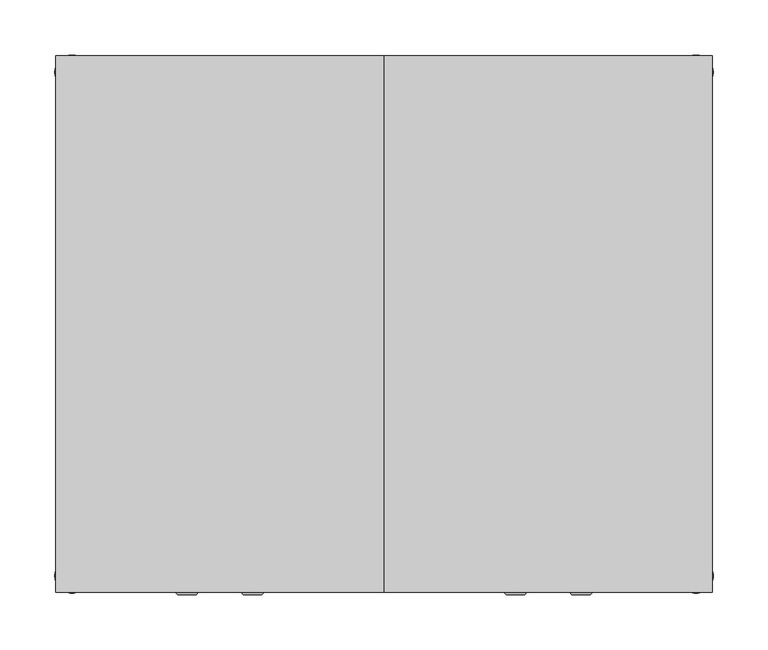
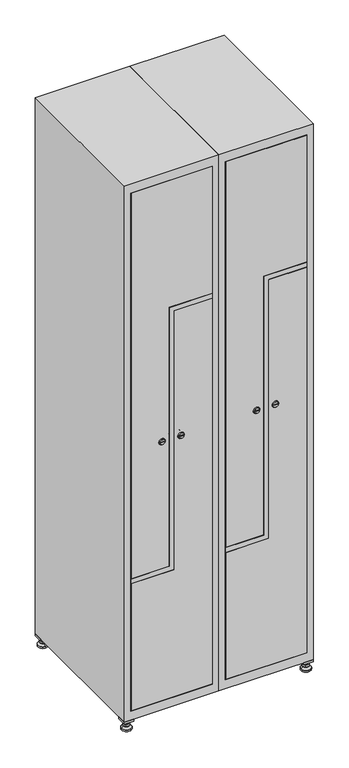
"""IFC4 building model written with IfcOpenShell, lengths in millimetres: furniture geometry."""

from ifc_helpers import new_model, si_unit, point, frame, frame_2d, origin, origin_with_axes, place, context, project, spatial, polyline, circle_curve, trimmed, segment, composite_curve, outline, extrude, faceted_brep, source, transform, mapped, element, save
from ifc_brep_helpers import plane_surface, revolved_surface, advanced_brep


def furniture_3ee8c337(model_context):
    return source(origin(), model_context, "Body", "SolidModel", [
        extrude(outline(polyline([(400.0, 245.0), (400.0, 215.0), (370.0, 215.0), (370.0, 245.0), (400.0, 245.0)]), holes=[polyline([(398.0, 243.0), (372.0, 243.0), (372.0, 217.0), (398.0, 217.0), (398.0, 243.0)])]), frame((0.0, 0.0, 28.5), z_axis=(0.0, 0.0, 1.0), x_axis=(1.0, 0.0, 0.0)), (0.0, 0.0, 1.0), 6.5),
        extrude(outline(polyline([(370.0, -245.0), (370.0, -215.0), (400.0, -215.0), (400.0, -245.0), (370.0, -245.0)]), holes=[polyline([(372.0, -243.0), (398.0, -243.0), (398.0, -217.0), (372.0, -217.0), (372.0, -243.0)])]), frame((0.0, 0.0, 28.5), z_axis=(0.0, 0.0, 1.0), x_axis=(1.0, 0.0, 0.0)), (0.0, 0.0, 1.0), 6.5),
        extrude(outline(polyline([(-170.0, 245.0), (-170.0, 215.0), (-200.0, 215.0), (-200.0, 245.0), (-170.0, 245.0)]), holes=[polyline([(-172.0, 243.0), (-198.0, 243.0), (-198.0, 217.0), (-172.0, 217.0), (-172.0, 243.0)])]), frame((0.0, 0.0, 28.5), z_axis=(0.0, 0.0, 1.0), x_axis=(1.0, 0.0, 0.0)), (0.0, 0.0, 1.0), 6.5),
        extrude(outline(polyline([(-170.0, -215.0), (-170.0, -245.0), (-200.0, -245.0), (-200.0, -215.0), (-170.0, -215.0)]), holes=[polyline([(-198.0, -243.0), (-172.0, -243.0), (-172.0, -217.0), (-198.0, -217.0), (-198.0, -243.0)])]), frame((0.0, 0.0, 28.5), z_axis=(0.0, 0.0, 1.0), x_axis=(1.0, 0.0, 0.0)), (0.0, 0.0, 1.0), 6.5),
        extrude(outline(composite_curve([segment(trimmed(circle_curve(frame_2d((-185.0, 230.0)), 5.0), [point((-180.0, 230.0))], [point((-190.0, 230.0))], False, "CARTESIAN"), True, "CONTINUOUS"), segment(trimmed(circle_curve(frame_2d((-185.0, 230.0)), 5.0), [point((-190.0, 230.0))], [point((-180.0, 230.0))], False, "CARTESIAN"), True, "CONTINUOUS")], self_intersect=False)), frame((0.0, 0.0, 19.6), z_axis=(0.0, 0.0, 1.0), x_axis=(1.0, 0.0, 0.0)), (0.0, 0.0, 1.0), 15.4),
        extrude(outline(composite_curve([segment(trimmed(circle_curve(frame_2d((-185.0, -230.0)), 5.0), [point((-180.0, -230.0))], [point((-190.0, -230.0))], False, "CARTESIAN"), True, "CONTINUOUS"), segment(trimmed(circle_curve(frame_2d((-185.0, -230.0)), 5.0), [point((-190.0, -230.0))], [point((-180.0, -230.0))], False, "CARTESIAN"), True, "CONTINUOUS")], self_intersect=False)), frame((0.0, 0.0, 19.6), z_axis=(0.0, 0.0, 1.0), x_axis=(1.0, 0.0, 0.0)), (0.0, 0.0, 1.0), 15.4),
        extrude(outline(composite_curve([segment(trimmed(circle_curve(frame_2d((385.0, 230.0)), 5.0), [point((390.0, 230.0))], [point((380.0, 230.0))], False, "CARTESIAN"), True, "CONTINUOUS"), segment(trimmed(circle_curve(frame_2d((385.0, 230.0)), 5.0), [point((380.0, 230.0))], [point((390.0, 230.0))], False, "CARTESIAN"), True, "CONTINUOUS")], self_intersect=False)), frame((0.0, 0.0, 19.6), z_axis=(0.0, 0.0, 1.0), x_axis=(1.0, 0.0, 0.0)), (0.0, 0.0, 1.0), 15.4),
        extrude(outline(polyline([(373.4529946, 230.0), (379.2264973, 240.0), (390.7735027, 240.0), (396.5470054, 230.0), (390.7735027, 220.0), (379.2264973, 220.0), (373.4529946, 230.0)])), frame((0.0, 0.0, 13.6), z_axis=(0.0, 0.0, 1.0), x_axis=(1.0, 0.0, 0.0)), (0.0, 0.0, 1.0), 6.0),
        extrude(outline(composite_curve([segment(trimmed(circle_curve(frame_2d((385.0, -230.0)), 5.0), [point((390.0, -230.0))], [point((380.0, -230.0))], False, "CARTESIAN"), True, "CONTINUOUS"), segment(trimmed(circle_curve(frame_2d((385.0, -230.0)), 5.0), [point((380.0, -230.0))], [point((390.0, -230.0))], False, "CARTESIAN"), True, "CONTINUOUS")], self_intersect=False)), frame((0.0, 0.0, 19.6), z_axis=(0.0, 0.0, 1.0), x_axis=(1.0, 0.0, 0.0)), (0.0, 0.0, 1.0), 15.4),
        extrude(outline(polyline([(373.4529946, -230.0), (379.2264973, -220.0), (390.7735027, -220.0), (396.5470054, -230.0), (390.7735027, -240.0), (379.2264973, -240.0), (373.4529946, -230.0)])), frame((0.0, 0.0, 13.6), z_axis=(0.0, 0.0, 1.0), x_axis=(1.0, 0.0, 0.0)), (0.0, 0.0, 1.0), 6.0),
        extrude(outline(composite_curve([segment(trimmed(circle_curve(frame_2d((385.0, 230.0)), 5.0), [point((390.0, 230.0))], [point((380.0, 230.0))], False, "CARTESIAN"), True, "CONTINUOUS"), segment(trimmed(circle_curve(frame_2d((385.0, 230.0)), 5.0), [point((380.0, 230.0))], [point((390.0, 230.0))], False, "CARTESIAN"), True, "CONTINUOUS")], self_intersect=False)), frame((0.0, 0.0, 12.1), z_axis=(0.0, 0.0, 1.0), x_axis=(1.0, 0.0, 0.0)), (0.0, 0.0, 1.0), 1.5),
        extrude(outline(composite_curve([segment(trimmed(circle_curve(frame_2d((385.0, -230.0)), 5.0), [point((390.0, -230.0))], [point((380.0, -230.0))], False, "CARTESIAN"), True, "CONTINUOUS"), segment(trimmed(circle_curve(frame_2d((385.0, -230.0)), 5.0), [point((380.0, -230.0))], [point((390.0, -230.0))], False, "CARTESIAN"), True, "CONTINUOUS")], self_intersect=False)), frame((0.0, 0.0, 12.1), z_axis=(0.0, 0.0, 1.0), x_axis=(1.0, 0.0, 0.0)), (0.0, 0.0, 1.0), 1.5),
        extrude(outline(polyline([(-196.5470054, 230.0), (-190.7735027, 240.0), (-179.2264973, 240.0), (-173.4529946, 230.0), (-179.2264973, 220.0), (-190.7735027, 220.0), (-196.5470054, 230.0)])), frame((0.0, 0.0, 13.6), z_axis=(0.0, 0.0, 1.0), x_axis=(1.0, 0.0, 0.0)), (0.0, 0.0, 1.0), 6.0),
        extrude(outline(polyline([(-196.5470054, -230.0), (-190.7735027, -220.0), (-179.2264973, -220.0), (-173.4529946, -230.0), (-179.2264973, -240.0), (-190.7735027, -240.0), (-196.5470054, -230.0)])), frame((0.0, 0.0, 13.6), z_axis=(0.0, 0.0, 1.0), x_axis=(1.0, 0.0, 0.0)), (0.0, 0.0, 1.0), 6.0),
        extrude(outline(composite_curve([segment(trimmed(circle_curve(frame_2d((-185.0, 230.0)), 5.0), [point((-185.0, 235.0))], [point((-185.0, 225.0))], False, "CARTESIAN"), True, "CONTINUOUS"), segment(trimmed(circle_curve(frame_2d((-185.0, 230.0)), 5.0), [point((-185.0, 225.0))], [point((-185.0, 235.0))], False, "CARTESIAN"), True, "CONTINUOUS")], self_intersect=False)), frame((0.0, 0.0, 12.1), z_axis=(0.0, 0.0, 1.0), x_axis=(1.0, 0.0, 0.0)), (0.0, 0.0, 1.0), 1.5),
        extrude(outline(composite_curve([segment(trimmed(circle_curve(frame_2d((-185.0, -230.0)), 5.0), [point((-180.0, -230.0))], [point((-190.0, -230.0))], False, "CARTESIAN"), True, "CONTINUOUS"), segment(trimmed(circle_curve(frame_2d((-185.0, -230.0)), 5.0), [point((-190.0, -230.0))], [point((-180.0, -230.0))], False, "CARTESIAN"), True, "CONTINUOUS")], self_intersect=False)), frame((0.0, 0.0, 12.1), z_axis=(0.0, 0.0, 1.0), x_axis=(1.0, 0.0, 0.0)), (0.0, 0.0, 1.0), 1.5),
        extrude(outline(composite_curve([segment(trimmed(circle_curve(frame_2d((385.0, 230.0)), 15.75), [point((400.75, 230.0))], [point((369.25, 230.0))], False, "CARTESIAN"), True, "CONTINUOUS"), segment(trimmed(circle_curve(frame_2d((385.0, 230.0)), 15.75), [point((369.25, 230.0))], [point((400.75, 230.0))], False, "CARTESIAN"), True, "CONTINUOUS")], self_intersect=False)), origin_with_axes(), (0.0, 0.0, 1.0), 5.1),
        extrude(outline(composite_curve([segment(trimmed(circle_curve(frame_2d((385.0, -230.0)), 15.75), [point((385.0, -214.25))], [point((385.0, -245.75))], False, "CARTESIAN"), True, "CONTINUOUS"), segment(trimmed(circle_curve(frame_2d((385.0, -230.0)), 15.75), [point((385.0, -245.75))], [point((385.0, -214.25))], False, "CARTESIAN"), True, "CONTINUOUS")], self_intersect=False)), origin_with_axes(), (0.0, 0.0, 1.0), 5.1),
        extrude(outline(composite_curve([segment(trimmed(circle_curve(frame_2d((-185.0, -230.0)), 15.75), [point((-169.25, -230.0))], [point((-200.75, -230.0))], False, "CARTESIAN"), True, "CONTINUOUS"), segment(trimmed(circle_curve(frame_2d((-185.0, -230.0)), 15.75), [point((-200.75, -230.0))], [point((-169.25, -230.0))], False, "CARTESIAN"), True, "CONTINUOUS")], self_intersect=False)), origin_with_axes(), (0.0, 0.0, 1.0), 5.1),
        extrude(outline(composite_curve([segment(trimmed(circle_curve(frame_2d((-185.0, 230.0)), 15.75), [point((-169.25, 230.0))], [point((-200.75, 230.0))], False, "CARTESIAN"), True, "CONTINUOUS"), segment(trimmed(circle_curve(frame_2d((-185.0, 230.0)), 15.75), [point((-200.75, 230.0))], [point((-169.25, 230.0))], False, "CARTESIAN"), True, "CONTINUOUS")], self_intersect=False)), origin_with_axes(), (0.0, 0.0, 1.0), 5.1),
        advanced_brep(
        [(-185.0, 245.75, 5.1), (-185.0, 214.25, 5.1), (-185.0, 239.5, 12.1), (-185.0, 220.5, 12.1)],
        [
            (0, 1, circle_curve(frame((-185.0, 230.0, 5.1), z_axis=(0.0, 0.0, -1.0), x_axis=(0.0, 1.0, 0.0)), 15.75)),
            (1, 0, circle_curve(frame((-185.0, 230.0, 5.1), z_axis=(0.0, 0.0, -1.0), x_axis=(0.0, -1.0, 0.0)), 15.75)),
            (2, 3, circle_curve(frame((-185.0, 230.0, 12.1), z_axis=(0.0, 0.0, 1.0), x_axis=(0.0, -1.0, 0.0)), 9.5)),
            (3, 2, circle_curve(frame((-185.0, 230.0, 12.1), z_axis=(0.0, 0.0, 1.0), x_axis=(0.0, 1.0, 0.0)), 9.5)),
            (3, 1),
            (0, 2),
        ],
        [
            plane_surface(frame((-185.0, 230.0, 5.1), z_axis=(0.0, 0.0, -1.0), x_axis=(1.0, 0.0, 0.0))),
            plane_surface(frame((-185.0, 230.0, 12.1), z_axis=(0.0, 0.0, 1.0), x_axis=(1.0, 0.0, 0.0))),
            revolved_surface(polyline([(-185.0, 220.5, 12.099999999999998), (-185.0, 214.25, 5.099999999999998)]), (-185.0, 230.0, 22.74), (0.0, 0.0, -1.0)),
            revolved_surface(polyline([(-185.0, 239.5, 12.099999999999998), (-185.0, 245.75, 5.099999999999998)]), (-185.0, 230.0, 22.74), (0.0, 0.0, -1.0)),
        ],
        [
            (0, [[1, 2]]),
            (1, [[3, 4]]),
            (2, [[-4, 5, -1, 6]]),
            (3, [[-3, -6, -2, -5]]),
        ],
    ),
        advanced_brep(
        [(385.0, 245.75, 5.1), (385.0, 214.25, 5.1), (385.0, 239.5, 12.1), (385.0, 220.5, 12.1)],
        [
            (0, 1, circle_curve(frame((385.0, 230.0, 5.1), z_axis=(0.0, 0.0, -1.0), x_axis=(0.0, 1.0, 0.0)), 15.75)),
            (1, 0, circle_curve(frame((385.0, 230.0, 5.1), z_axis=(0.0, 0.0, -1.0), x_axis=(0.0, -1.0, 0.0)), 15.75)),
            (2, 3, circle_curve(frame((385.0, 230.0, 12.1), z_axis=(0.0, 0.0, 1.0), x_axis=(0.0, -1.0, 0.0)), 9.5)),
            (3, 2, circle_curve(frame((385.0, 230.0, 12.1), z_axis=(0.0, 0.0, 1.0), x_axis=(0.0, 1.0, 0.0)), 9.5)),
            (3, 1),
            (0, 2),
        ],
        [
            plane_surface(frame((385.0, 230.0, 5.1), z_axis=(0.0, 0.0, -1.0), x_axis=(1.0, 0.0, 0.0))),
            plane_surface(frame((385.0, 230.0, 12.1), z_axis=(0.0, 0.0, 1.0), x_axis=(1.0, 0.0, 0.0))),
            revolved_surface(polyline([(385.0, 220.5, 12.099999999999998), (385.0, 214.25, 5.099999999999998)]), (385.0, 230.0, 22.74), (0.0, 0.0, -1.0)),
            revolved_surface(polyline([(385.0, 239.5, 12.099999999999998), (385.0, 245.75, 5.099999999999998)]), (385.0, 230.0, 22.74), (0.0, 0.0, -1.0)),
        ],
        [
            (0, [[1, 2]]),
            (1, [[3, 4]]),
            (2, [[-4, 5, -1, 6]]),
            (3, [[-3, -6, -2, -5]]),
        ],
    ),
        advanced_brep(
        [(394.5, -230.0, 12.1), (375.5, -230.0, 12.1), (400.75, -230.0, 5.1), (369.25, -230.0, 5.1)],
        [
            (0, 1, circle_curve(frame((385.0, -230.0, 12.1), z_axis=(0.0, 0.0, 1.0), x_axis=(1.0, 0.0, 0.0)), 9.5)),
            (1, 0, circle_curve(frame((385.0, -230.0, 12.1), z_axis=(0.0, 0.0, 1.0), x_axis=(-1.0, 0.0, 0.0)), 9.5)),
            (2, 3, circle_curve(frame((385.0, -230.0, 5.1), z_axis=(0.0, 0.0, -1.0), x_axis=(-1.0, 0.0, 0.0)), 15.75)),
            (3, 2, circle_curve(frame((385.0, -230.0, 5.1), z_axis=(0.0, 0.0, -1.0), x_axis=(1.0, 0.0, 0.0)), 15.75)),
            (3, 1),
            (0, 2),
        ],
        [
            plane_surface(frame((385.0, -230.0, 12.1), z_axis=(0.0, 0.0, 1.0), x_axis=(0.0, 1.0, 0.0))),
            plane_surface(frame((385.0, -230.0, 5.1), z_axis=(0.0, 0.0, -1.0), x_axis=(0.0, 1.0, 0.0))),
            revolved_surface(polyline([(394.5, -230.0, 12.099999999999998), (400.75, -230.0, 5.099999999999998)]), (385.0, -230.0, 22.74), (0.0, 0.0, -1.0)),
            revolved_surface(polyline([(375.5, -230.0, 12.099999999999998), (369.25, -230.0, 5.099999999999998)]), (385.0, -230.0, 22.74), (0.0, 0.0, -1.0)),
        ],
        [
            (0, [[1, 2]]),
            (1, [[3, 4]]),
            (2, [[-4, 5, -1, 6]]),
            (3, [[-3, -6, -2, -5]]),
        ],
    ),
        advanced_brep(
        [(-175.5, -230.0, 12.1), (-194.5, -230.0, 12.1), (-169.25, -230.0, 5.1), (-200.75, -230.0, 5.1)],
        [
            (0, 1, circle_curve(frame((-185.0, -230.0, 12.1), z_axis=(0.0, 0.0, 1.0), x_axis=(1.0, 0.0, 0.0)), 9.5)),
            (1, 0, circle_curve(frame((-185.0, -230.0, 12.1), z_axis=(0.0, 0.0, 1.0), x_axis=(-1.0, 0.0, 0.0)), 9.5)),
            (2, 3, circle_curve(frame((-185.0, -230.0, 5.1), z_axis=(0.0, 0.0, -1.0), x_axis=(-1.0, 0.0, 0.0)), 15.75)),
            (3, 2, circle_curve(frame((-185.0, -230.0, 5.1), z_axis=(0.0, 0.0, -1.0), x_axis=(1.0, 0.0, 0.0)), 15.75)),
            (3, 1),
            (0, 2),
        ],
        [
            plane_surface(frame((-185.0, -230.0, 12.1), z_axis=(0.0, 0.0, 1.0), x_axis=(0.0, 1.0, 0.0))),
            plane_surface(frame((-185.0, -230.0, 5.1), z_axis=(0.0, 0.0, -1.0), x_axis=(0.0, 1.0, 0.0))),
            revolved_surface(polyline([(-175.5, -230.0, 12.099999999999998), (-169.25, -230.0, 5.099999999999998)]), (-185.0, -230.0, 22.74), (0.0, 0.0, -1.0)),
            revolved_surface(polyline([(-194.5, -230.0, 12.099999999999998), (-200.75, -230.0, 5.099999999999998)]), (-185.0, -230.0, 22.74), (0.0, 0.0, -1.0)),
        ],
        [
            (0, [[1, 2]]),
            (1, [[3, 4]]),
            (2, [[-4, 5, -1, 6]]),
            (3, [[-3, -6, -2, -5]]),
        ],
    ),
        extrude(outline(composite_curve([segment(trimmed(circle_curve(frame_2d((935.0, 246.7989466)), 7.0), [point((928.0, 246.7989466))], [point((942.0, 246.7989466))], False, "CARTESIAN"), True, "CONTINUOUS"), segment(polyline([(942.0, 246.7989466), (942.0, 218.7989466)]), True, "CONTINUOUS"), segment(trimmed(circle_curve(frame_2d((935.0, 218.7989466)), 7.0), [point((942.0, 218.7989466))], [point((928.0, 218.7989466))], False, "CARTESIAN"), True, "CONTINUOUS"), segment(polyline([(928.0, 218.7989466), (928.0, 246.7989466)]), True, "CONTINUOUS")], self_intersect=False)), frame((0.0, -227.0, 0.0), z_axis=(0.0, 1.0, 0.0), x_axis=(0.0, 0.0, 1.0)), (0.0, 0.0, 1.0), 2.0),
        advanced_brep(
        [(211.5, -247.2, 935.0), (228.5, -247.2, 935.0), (225.0, -247.2, 936.25), (225.0, -247.2, 933.75), (215.0, -247.2, 933.75), (215.0, -247.2, 936.25), (209.5, -245.0, 935.0), (230.5, -245.0, 935.0), (225.0, -245.0, 933.75), (225.0, -245.0, 936.25), (215.0, -245.0, 936.25), (215.0, -245.0, 933.75)],
        [
            (0, 1, circle_curve(frame((220.0, -247.2, 935.0), z_axis=(0.0, -1.0, 0.0), x_axis=(-1.0, 0.0, 0.0)), 8.5)),
            (1, 0, circle_curve(frame((220.0, -247.2, 935.0), z_axis=(0.0, -1.0, 0.0), x_axis=(1.0, 0.0, 0.0)), 8.5)),
            (2, 3),
            (3, 4),
            (4, 5),
            (5, 2),
            (6, 7, circle_curve(frame((220.0, -245.0, 935.0), z_axis=(0.0, 1.0, 0.0), x_axis=(1.0, 0.0, 0.0)), 10.5)),
            (7, 6, circle_curve(frame((220.0, -245.0, 935.0), z_axis=(0.0, 1.0, 0.0), x_axis=(-1.0, 0.0, 0.0)), 10.5)),
            (8, 9),
            (9, 10),
            (10, 11),
            (11, 8),
            (0, 6),
            (7, 1),
            (8, 3),
            (2, 9),
            (11, 4),
            (10, 5),
        ],
        [
            plane_surface(frame((220.0, -247.2, 935.0), z_axis=(0.0, -1.0, 0.0), x_axis=(0.0, 0.0, -1.0))),
            plane_surface(frame((220.0, -245.0, 935.0), z_axis=(0.0, 1.0, 0.0), x_axis=(0.0, 0.0, -1.0))),
            revolved_surface(polyline([(211.5, -247.2, 935.0), (209.5, -245.0, 935.0)]), (220.0, -256.55, 935.0), (0.0, 1.0, 0.0)),
            revolved_surface(polyline([(228.5, -247.2, 935.0), (230.5, -245.0, 935.0)]), (220.0, -256.55, 935.0), (0.0, 1.0, 0.0)),
            plane_surface(frame((225.0, -245.0, 936.25), z_axis=(-1.0, 0.0, 0.0), x_axis=(0.0, -1.0, 0.0))),
            plane_surface(frame((225.0, -245.0, 933.75), z_axis=(0.0, 0.0, 1.0), x_axis=(0.0, -1.0, 0.0))),
            plane_surface(frame((215.0, -245.0, 933.75), z_axis=(1.0, 0.0, 0.0), x_axis=(0.0, -1.0, 0.0))),
            plane_surface(frame((215.0, -245.0, 936.25), z_axis=(0.0, 0.0, -1.0), x_axis=(0.0, -1.0, 0.0))),
        ],
        [
            (0, [[1, 2], [3, 4, 5, 6]]),
            (1, [[7, 8], [9, 10, 11, 12]]),
            (2, [[-1, 13, -8, 14]]),
            (3, [[-2, -14, -7, -13]]),
            (4, [[15, -3, 16, -9]]),
            (5, [[-15, -12, 17, -4]]),
            (6, [[-17, -11, 18, -5]]),
            (7, [[-16, -6, -18, -10]]),
        ],
    ),
        extrude(outline(polyline([(1803.8, 121.4), (509.6, 121.4), (509.6, 241.0), (1378.4, 241.0), (1378.4, 378.6), (1803.8, 378.6), (1803.8, 121.4)])), frame((0.0, -245.0, 0.0), z_axis=(0.0, 1.0, 0.0), x_axis=(0.0, 0.0, 1.0)), (0.0, 0.0, 1.0), 18.0),
        extrude(outline(composite_curve([segment(trimmed(circle_curve(frame_2d((935.0, 253.2010534)), 7.0), [point((942.0, 253.2010534))], [point((928.0, 253.2010534))], False, "CARTESIAN"), True, "CONTINUOUS"), segment(polyline([(928.0, 253.2010534), (928.0, 281.2010534)]), True, "CONTINUOUS"), segment(trimmed(circle_curve(frame_2d((935.0, 281.2010534)), 7.0), [point((928.0, 281.2010534))], [point((942.0, 281.2010534))], False, "CARTESIAN"), True, "CONTINUOUS"), segment(polyline([(942.0, 281.2010534), (942.0, 253.2010534)]), True, "CONTINUOUS")], self_intersect=False)), frame((0.0, -227.0, 0.0), z_axis=(0.0, 1.0, 0.0), x_axis=(0.0, 0.0, 1.0)), (0.0, 0.0, 1.0), 2.0),
        advanced_brep(
        [(288.5, -247.2, 935.0), (271.5, -247.2, 935.0), (275.0, -247.2, 933.75), (275.0, -247.2, 936.25), (285.0, -247.2, 936.25), (285.0, -247.2, 933.75), (290.5, -245.0, 935.0), (269.5, -245.0, 935.0), (275.0, -245.0, 936.25), (275.0, -245.0, 933.75), (285.0, -245.0, 933.75), (285.0, -245.0, 936.25)],
        [
            (0, 1, circle_curve(frame((280.0, -247.2, 935.0), z_axis=(0.0, -1.0, 0.0), x_axis=(1.0, 0.0, 0.0)), 8.5)),
            (1, 0, circle_curve(frame((280.0, -247.2, 935.0), z_axis=(0.0, -1.0, 0.0), x_axis=(-1.0, 0.0, 0.0)), 8.5)),
            (2, 3),
            (3, 4),
            (4, 5),
            (5, 2),
            (6, 7, circle_curve(frame((280.0, -245.0, 935.0), z_axis=(0.0, 1.0, 0.0), x_axis=(-1.0, 0.0, 0.0)), 10.5)),
            (7, 6, circle_curve(frame((280.0, -245.0, 935.0), z_axis=(0.0, 1.0, 0.0), x_axis=(1.0, 0.0, 0.0)), 10.5)),
            (8, 9),
            (9, 10),
            (10, 11),
            (11, 8),
            (0, 6),
            (7, 1),
            (8, 3),
            (2, 9),
            (11, 4),
            (10, 5),
        ],
        [
            plane_surface(frame((280.0, -247.2, 935.0), z_axis=(0.0, -1.0, 0.0), x_axis=(0.0, 0.0, 1.0))),
            plane_surface(frame((280.0, -245.0, 935.0), z_axis=(0.0, 1.0, 0.0), x_axis=(0.0, 0.0, 1.0))),
            revolved_surface(polyline([(288.5, -247.2, 935.0), (290.5, -245.0, 935.0)]), (280.0, -256.55, 935.0), (0.0, 1.0, 0.0)),
            revolved_surface(polyline([(271.5, -247.2, 935.0), (269.5, -245.0, 935.0)]), (280.0, -256.55, 935.0), (0.0, 1.0, 0.0)),
            plane_surface(frame((275.0, -245.0, 933.75), z_axis=(1.0, 0.0, 0.0), x_axis=(0.0, -1.0, 0.0))),
            plane_surface(frame((275.0, -245.0, 936.25), z_axis=(0.0, 0.0, -1.0), x_axis=(0.0, -1.0, 0.0))),
            plane_surface(frame((285.0, -245.0, 936.25), z_axis=(-1.0, 0.0, 0.0), x_axis=(0.0, -1.0, 0.0))),
            plane_surface(frame((285.0, -245.0, 933.75), z_axis=(0.0, 0.0, 1.0), x_axis=(0.0, -1.0, 0.0))),
        ],
        [
            (0, [[1, 2], [3, 4, 5, 6]]),
            (1, [[7, 8], [9, 10, 11, 12]]),
            (2, [[-1, 13, -8, 14]]),
            (3, [[-2, -14, -7, -13]]),
            (4, [[15, -3, 16, -9]]),
            (5, [[-15, -12, 17, -4]]),
            (6, [[-17, -11, 18, -5]]),
            (7, [[-16, -6, -18, -10]]),
        ],
    ),
        extrude(outline(polyline([(66.2, 378.6), (1360.4, 378.6), (1360.4, 259.0), (491.6, 259.0), (491.6, 121.4), (66.2, 121.4), (66.2, 378.6)])), frame((0.0, -245.0, 0.0), z_axis=(0.0, 1.0, 0.0), x_axis=(0.0, 0.0, 1.0)), (0.0, 0.0, 1.0), 18.0),
        extrude(outline(polyline([(1361.4, 379.6), (1377.4, 379.6), (1377.4, 242.0), (508.6, 242.0), (508.6, 120.4), (492.6, 120.4), (492.6, 258.0), (1361.4, 258.0), (1361.4, 379.6)])), frame((0.0, -245.0, 0.0), z_axis=(0.0, 1.0, 0.0), x_axis=(0.0, 0.0, 1.0)), (0.0, 0.0, 1.0), 487.0),
        faceted_brep([(400.0, -245.0, 35.0), (400.0, -245.0, 1835.0), (100.0, -245.0, 1835.0), (100.0, -245.0, 35.0), (379.6, -245.0, 1804.8), (379.6, -245.0, 65.2), (120.4, -245.0, 65.2), (120.4, -245.0, 1804.8), (400.0, 245.0, 35.0), (100.0, 245.0, 35.0), (400.0, 245.0, 1835.0), (100.0, 245.0, 1835.0), (379.6, 242.0, 1804.8), (379.6, 242.0, 65.2), (100.0, 245.0, 1804.8), (120.4, 242.0, 1804.8), (120.4, 242.0, 65.2)], [[[0, 1, 2, 3], [4, 5, 6, 7]], [[8, 0, 3, 9]], [[1, 0, 8, 10]], [[1, 10, 11, 2]], [[4, 12, 13, 5]], [[9, 3, 2, 11, 14]], [[10, 8, 9, 14, 11]], [[12, 15, 16, 13]], [[15, 7, 6, 16]], [[4, 7, 15, 12]], [[6, 5, 13, 16]]]),
        extrude(outline(composite_curve([segment(trimmed(circle_curve(frame_2d((935.0, -53.2010534)), 7.0), [point((928.0, -53.2010534))], [point((942.0, -53.2010534))], False, "CARTESIAN"), True, "CONTINUOUS"), segment(polyline([(942.0, -53.2010534), (942.0, -81.2010534)]), True, "CONTINUOUS"), segment(trimmed(circle_curve(frame_2d((935.0, -81.2010534)), 7.0), [point((942.0, -81.2010534))], [point((928.0, -81.2010534))], False, "CARTESIAN"), True, "CONTINUOUS"), segment(polyline([(928.0, -81.2010534), (928.0, -53.2010534)]), True, "CONTINUOUS")], self_intersect=False)), frame((0.0, -227.0, 0.0), z_axis=(0.0, 1.0, 0.0), x_axis=(0.0, 0.0, 1.0)), (0.0, 0.0, 1.0), 2.0),
        advanced_brep(
        [(-88.5, -247.2, 935.0), (-71.5, -247.2, 935.0), (-75.0, -247.2, 936.25), (-75.0, -247.2, 933.75), (-85.0, -247.2, 933.75), (-85.0, -247.2, 936.25), (-90.5, -245.0, 935.0), (-69.5, -245.0, 935.0), (-75.0, -245.0, 933.75), (-75.0, -245.0, 936.25), (-85.0, -245.0, 936.25), (-85.0, -245.0, 933.75)],
        [
            (0, 1, circle_curve(frame((-80.0, -247.2, 935.0), z_axis=(0.0, -1.0, 0.0), x_axis=(-1.0, 0.0, 0.0)), 8.5)),
            (1, 0, circle_curve(frame((-80.0, -247.2, 935.0), z_axis=(0.0, -1.0, 0.0), x_axis=(1.0, 0.0, 0.0)), 8.5)),
            (2, 3),
            (3, 4),
            (4, 5),
            (5, 2),
            (6, 7, circle_curve(frame((-80.0, -245.0, 935.0), z_axis=(0.0, 1.0, 0.0), x_axis=(1.0, 0.0, 0.0)), 10.5)),
            (7, 6, circle_curve(frame((-80.0, -245.0, 935.0), z_axis=(0.0, 1.0, 0.0), x_axis=(-1.0, 0.0, 0.0)), 10.5)),
            (8, 9),
            (9, 10),
            (10, 11),
            (11, 8),
            (0, 6),
            (7, 1),
            (8, 3),
            (2, 9),
            (11, 4),
            (10, 5),
        ],
        [
            plane_surface(frame((-80.0, -247.2, 935.0), z_axis=(0.0, -1.0, 0.0), x_axis=(0.0, 0.0, -1.0))),
            plane_surface(frame((-80.0, -245.0, 935.0), z_axis=(0.0, 1.0, 0.0), x_axis=(0.0, 0.0, -1.0))),
            revolved_surface(polyline([(-88.50000000000001, -247.2, 935.0), (-90.5, -245.0, 935.0)]), (-80.0, -256.55, 935.0), (0.0, 1.0, 0.0)),
            revolved_surface(polyline([(-71.49999999999999, -247.2, 935.0), (-69.5, -245.0, 935.0)]), (-80.0, -256.55, 935.0), (0.0, 1.0, 0.0)),
            plane_surface(frame((-75.0, -245.0, 936.25), z_axis=(-1.0, 0.0, 0.0), x_axis=(0.0, -1.0, 0.0))),
            plane_surface(frame((-75.0, -245.0, 933.75), z_axis=(0.0, 0.0, 1.0), x_axis=(0.0, -1.0, 0.0))),
            plane_surface(frame((-85.0, -245.0, 933.75), z_axis=(1.0, 0.0, 0.0), x_axis=(0.0, -1.0, 0.0))),
            plane_surface(frame((-85.0, -245.0, 936.25), z_axis=(0.0, 0.0, -1.0), x_axis=(0.0, -1.0, 0.0))),
        ],
        [
            (0, [[1, 2], [3, 4, 5, 6]]),
            (1, [[7, 8], [9, 10, 11, 12]]),
            (2, [[-1, 13, -8, 14]]),
            (3, [[-2, -14, -7, -13]]),
            (4, [[15, -3, 16, -9]]),
            (5, [[-15, -12, 17, -4]]),
            (6, [[-17, -11, 18, -5]]),
            (7, [[-16, -6, -18, -10]]),
        ],
    ),
        extrude(outline(polyline([(1803.8, -178.6), (509.6, -178.6), (509.6, -59.0), (1378.4, -59.0), (1378.4, 78.6), (1803.8, 78.6), (1803.8, -178.6)])), frame((0.0, -245.0, 0.0), z_axis=(0.0, 1.0, 0.0), x_axis=(0.0, 0.0, 1.0)), (0.0, 0.0, 1.0), 18.0),
        extrude(outline(composite_curve([segment(trimmed(circle_curve(frame_2d((935.0, -46.7989466)), 7.0), [point((942.0, -46.7989466))], [point((928.0, -46.7989466))], False, "CARTESIAN"), True, "CONTINUOUS"), segment(polyline([(928.0, -46.7989466), (928.0, -18.7989466)]), True, "CONTINUOUS"), segment(trimmed(circle_curve(frame_2d((935.0, -18.7989466)), 7.0), [point((928.0, -18.7989466))], [point((942.0, -18.7989466))], False, "CARTESIAN"), True, "CONTINUOUS"), segment(polyline([(942.0, -18.7989466), (942.0, -46.7989466)]), True, "CONTINUOUS")], self_intersect=False)), frame((0.0, -227.0, 0.0), z_axis=(0.0, 1.0, 0.0), x_axis=(0.0, 0.0, 1.0)), (0.0, 0.0, 1.0), 2.0),
        advanced_brep(
        [(-11.5, -247.2, 935.0), (-28.5, -247.2, 935.0), (-25.0, -247.2, 933.75), (-25.0, -247.2, 936.25), (-15.0, -247.2, 936.25), (-15.0, -247.2, 933.75), (-9.5, -245.0, 935.0), (-30.5, -245.0, 935.0), (-25.0, -245.0, 936.25), (-25.0, -245.0, 933.75), (-15.0, -245.0, 933.75), (-15.0, -245.0, 936.25)],
        [
            (0, 1, circle_curve(frame((-20.0, -247.2, 935.0), z_axis=(0.0, -1.0, 0.0), x_axis=(1.0, 0.0, 0.0)), 8.5)),
            (1, 0, circle_curve(frame((-20.0, -247.2, 935.0), z_axis=(0.0, -1.0, 0.0), x_axis=(-1.0, 0.0, 0.0)), 8.5)),
            (2, 3),
            (3, 4),
            (4, 5),
            (5, 2),
            (6, 7, circle_curve(frame((-20.0, -245.0, 935.0), z_axis=(0.0, 1.0, 0.0), x_axis=(-1.0, 0.0, 0.0)), 10.5)),
            (7, 6, circle_curve(frame((-20.0, -245.0, 935.0), z_axis=(0.0, 1.0, 0.0), x_axis=(1.0, 0.0, 0.0)), 10.5)),
            (8, 9),
            (9, 10),
            (10, 11),
            (11, 8),
            (0, 6),
            (7, 1),
            (8, 3),
            (2, 9),
            (11, 4),
            (10, 5),
        ],
        [
            plane_surface(frame((-20.0, -247.2, 935.0), z_axis=(0.0, -1.0, 0.0), x_axis=(0.0, 0.0, 1.0))),
            plane_surface(frame((-20.0, -245.0, 935.0), z_axis=(0.0, 1.0, 0.0), x_axis=(0.0, 0.0, 1.0))),
            revolved_surface(polyline([(-11.499999999999988, -247.2, 935.0), (-9.5, -245.0, 935.0)]), (-20.0, -256.55, 935.0), (0.0, 1.0, 0.0)),
            revolved_surface(polyline([(-28.500000000000014, -247.2, 935.0), (-30.5, -245.0, 935.0)]), (-20.0, -256.55, 935.0), (0.0, 1.0, 0.0)),
            plane_surface(frame((-25.0, -245.0, 933.75), z_axis=(1.0, 0.0, 0.0), x_axis=(0.0, -1.0, 0.0))),
            plane_surface(frame((-25.0, -245.0, 936.25), z_axis=(0.0, 0.0, -1.0), x_axis=(0.0, -1.0, 0.0))),
            plane_surface(frame((-15.0, -245.0, 936.25), z_axis=(-1.0, 0.0, 0.0), x_axis=(0.0, -1.0, 0.0))),
            plane_surface(frame((-15.0, -245.0, 933.75), z_axis=(0.0, 0.0, 1.0), x_axis=(0.0, -1.0, 0.0))),
        ],
        [
            (0, [[1, 2], [3, 4, 5, 6]]),
            (1, [[7, 8], [9, 10, 11, 12]]),
            (2, [[-1, 13, -8, 14]]),
            (3, [[-2, -14, -7, -13]]),
            (4, [[15, -3, 16, -9]]),
            (5, [[-15, -12, 17, -4]]),
            (6, [[-17, -11, 18, -5]]),
            (7, [[-16, -6, -18, -10]]),
        ],
    ),
        extrude(outline(polyline([(66.2, 78.6), (1360.4, 78.6), (1360.4, -41.0), (491.6, -41.0), (491.6, -178.6), (66.2, -178.6), (66.2, 78.6)])), frame((0.0, -245.0, 0.0), z_axis=(0.0, 1.0, 0.0), x_axis=(0.0, 0.0, 1.0)), (0.0, 0.0, 1.0), 18.0),
        extrude(outline(polyline([(1361.4, 79.6), (1377.4, 79.6), (1377.4, -58.0), (508.6, -58.0), (508.6, -179.6), (492.6, -179.6), (492.6, -42.0), (1361.4, -42.0), (1361.4, 79.6)])), frame((0.0, -245.0, 0.0), z_axis=(0.0, 1.0, 0.0), x_axis=(0.0, 0.0, 1.0)), (0.0, 0.0, 1.0), 487.0),
        faceted_brep([(100.0, -245.0, 35.0), (100.0, -245.0, 1835.0), (-200.0, -245.0, 1835.0), (-200.0, -245.0, 35.0), (79.6, -245.0, 1804.8), (79.6, -245.0, 65.2), (-179.6, -245.0, 65.2), (-179.6, -245.0, 1804.8), (100.0, 245.0, 35.0), (-200.0, 245.0, 35.0), (100.0, 245.0, 1835.0), (-200.0, 245.0, 1835.0), (79.6, 242.0, 1804.8), (79.6, 242.0, 65.2), (-200.0, 245.0, 1804.8), (-179.6, 242.0, 1804.8), (-179.6, 242.0, 65.2)], [[[0, 1, 2, 3], [4, 5, 6, 7]], [[8, 0, 3, 9]], [[1, 0, 8, 10]], [[1, 10, 11, 2]], [[4, 12, 13, 5]], [[9, 3, 2, 11, 14]], [[10, 8, 9, 14, 11]], [[12, 15, 16, 13]], [[15, 7, 6, 16]], [[4, 7, 15, 12]], [[6, 5, 13, 16]]]),
    ])


if __name__ == "__main__":
    model = new_model("IFC4")
    model_context = context("Model", 3, world=origin())
    ifc_project = project(units=[si_unit("LENGTHUNIT", "METRE", prefix="MILLI")], contexts=[model_context])
    site = spatial("IfcSite", under=ifc_project)
    building = spatial("IfcBuilding", under=site)
    placement = place(None, origin())
    furniture_shape = furniture_3ee8c337(model_context)
    element("IfcFurniture", 1, at=placement, inside=building, context=model_context, shape_type="MappedRepresentation", body=[
        mapped(furniture_shape, transform((0.0, 0.0, 0.0), x_axis=(1.0, 0.0, 0.0), y_axis=(0.0, 1.0, 0.0), z_axis=(0.0, 0.0, 1.0))),
    ])
    save(model, "model.ifc")
